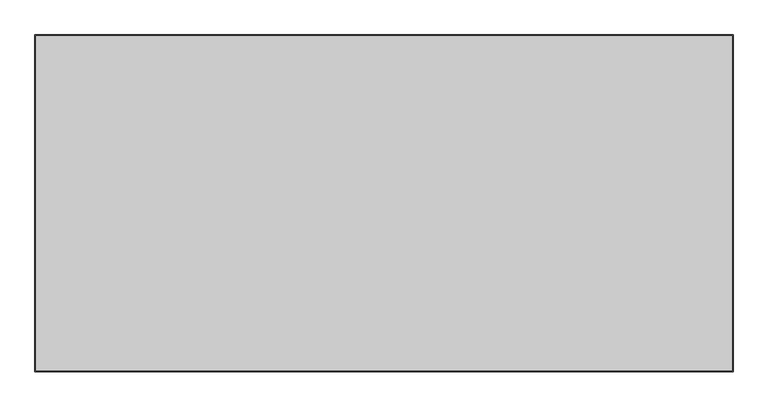
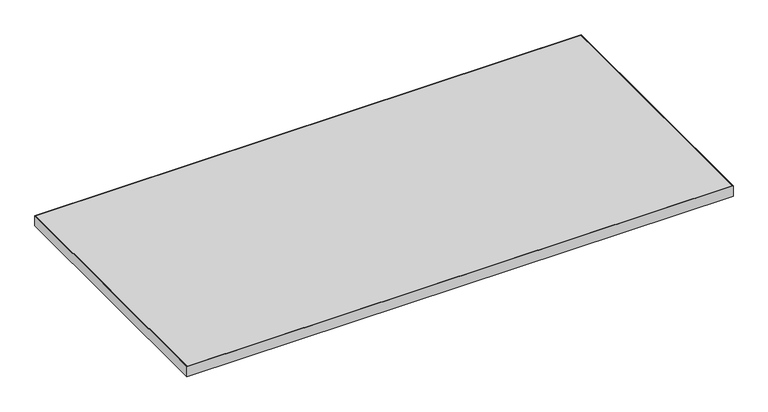
"""IFC4 building model written with IfcOpenShell, lengths in millimetres: furniture geometry."""

from ifc_helpers import new_model, si_unit, frame, origin, place, context, project, spatial, polyline, outline, extrude, source, transform, mapped, element, save


def furniture_e99d445c(model_context):
    return source(origin(), model_context, "Body", "SweptSolid", [
        extrude(outline(polyline([(758.8758, 831.9008), (758.8758, 101.5492), (-758.8758, 101.5492), (-758.8758, 831.9008), (758.8758, 831.9008)])), frame((0.0, 0.0, 707.009), z_axis=(0.0, 0.0, 1.0), x_axis=(1.0, 0.0, 0.0)), (0.0, 0.0, 1.0), 29.591),
        extrude(outline(polyline([(760.4633, 99.9617), (-760.4633, 99.9617), (-760.4633, 833.4883), (760.4633, 833.4883), (760.4633, 99.9617)]), holes=[polyline([(758.8758, 831.9008), (-758.8758, 831.9008), (-758.8758, 101.5492), (758.8758, 101.5492), (758.8758, 831.9008)])]), frame((0.0, 0.0, 707.009), z_axis=(0.0, 0.0, 1.0), x_axis=(1.0, 0.0, 0.0)), (0.0, 0.0, 1.0), 29.591),
    ])


if __name__ == "__main__":
    model = new_model("IFC4")
    model_context = context("Model", 3, world=origin())
    ifc_project = project(units=[si_unit("LENGTHUNIT", "METRE", prefix="MILLI")], contexts=[model_context])
    site = spatial("IfcSite", under=ifc_project)
    building = spatial("IfcBuilding", under=site)
    placement = place(None, origin())
    furniture_shape = furniture_e99d445c(model_context)
    element("IfcFurniture", 1, at=placement, inside=building, context=model_context, shape_type="MappedRepresentation", body=[
        mapped(furniture_shape, transform((0.0, 0.0, 0.0), x_axis=(1.0, 0.0, 0.0), y_axis=(0.0, 1.0, 0.0), z_axis=(0.0, 0.0, 1.0))),
    ])
    save(model, "model.ifc")
